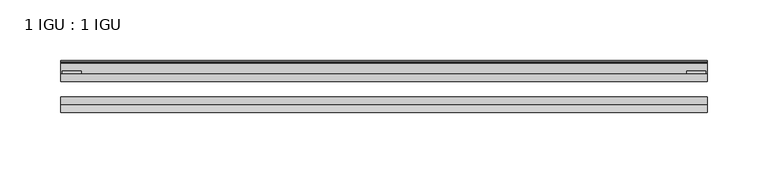
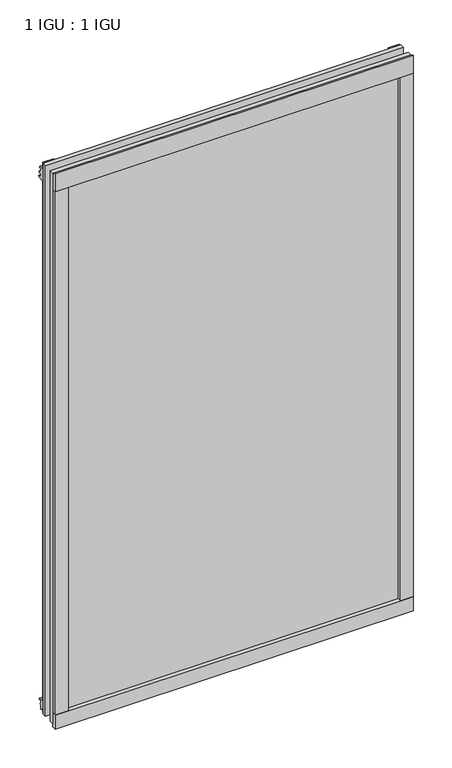
"""IFC4 building model written with IfcOpenShell, lengths in millimetres: plate geometry, 1 IGU : 1 IGU."""

from ifc_helpers import new_model, si_unit, point, frame, frame_2d, origin, place, context, project, spatial, polyline, circle_curve, trimmed, segment, composite_curve, outline, extrude, source, transform, mapped, element, save


def plate_1_igu_1_igu_31ee8d7c(model_context):
    return source(origin(), model_context, "Body", "SweptSolid", [
        extrude(outline(polyline([(266.773508, 0.0021347), (266.773508, -6.2992), (-266.773508, -6.2992), (-266.773508, 0.0021347), (266.773508, 0.0021347)])), frame((0.0, 0.0, -17.4498), z_axis=(0.0, 0.0, 1.0), x_axis=(1.0, 0.0, 0.0)), (0.0, 0.0, 1.0), 868.3366072),
        extrude(outline(polyline([(-266.773508, -19.0986653), (266.773508, -19.0986653), (266.773508, -25.3978653), (-266.773508, -25.3978653), (-266.773508, -19.0986653)])), frame((0.0, 0.0, -17.4498), z_axis=(0.0, 0.0, 1.0), x_axis=(1.0, 0.0, 0.0)), (0.0, 0.0, 1.0), 868.3366072),
        extrude(outline(composite_curve([segment(polyline([(-31.75, 0.0), (-25.4, 0.0), (-25.4, -22.225)]), True, "CONTINUOUS"), segment(trimmed(circle_curve(frame_2d((-28.575, -28.9113452)), 7.4018806), [point((-25.4, -22.225))], [point((-31.75, -22.225))], True, "CARTESIAN"), True, "CONTINUOUS"), segment(polyline([(-31.75, -22.225), (-31.75, 0.0)]), True, "CONTINUOUS")], self_intersect=False)), frame((-266.773508, 0.0, 0.0), z_axis=(1.0, 0.0, 0.0), x_axis=(0.0, 1.0, 0.0)), (0.0, 0.0, 1.0), 533.547016),
        extrude(outline(composite_curve([segment(trimmed(circle_curve(frame_2d((13.6593785, 32.4202472)), 31.3046461), [point((0.0, 4.2528503))], [point((9.3980339, 1.406995))], True, "CARTESIAN"), True, "CONTINUOUS"), segment(polyline([(9.3980339, 1.406995), (9.3980339, 0.0254), (6.35, 0.0254), (6.35, -5.1625788), (7.7309478, -5.3970663), (6.35, -8.0073788), (6.35, -11.8471127)]), True, "CONTINUOUS"), segment(trimmed(circle_curve(frame_2d((5.334, -11.8471127)), 1.016), [point((6.35, -11.8471127))], [point((4.6284878, -12.5782136))], False, "CARTESIAN"), True, "CONTINUOUS"), segment(trimmed(circle_curve(frame_2d((-23.3689302, -41.5910901)), 40.3187601), [point((4.6284878, -12.5782136))], [point((0.0, -8.735413))], True, "CARTESIAN"), True, "CONTINUOUS"), segment(polyline([(0.0, -8.735413), (0.0, 4.2528503)]), True, "CONTINUOUS")], self_intersect=False)), frame((-266.773508, 0.0, 0.0), z_axis=(1.0, 0.0, 0.0), x_axis=(0.0, 1.0, 0.0)), (0.0, 0.0, 1.0), 533.547016),
        extrude(outline(composite_curve([segment(polyline([(8.509, 840.7300284), (8.509, 838.6980284), (6.35, 838.6980284), (6.35, 833.3640284), (8.9492698, 833.3640284)]), True, "CONTINUOUS"), segment(trimmed(circle_curve(frame_2d((8.208689, 831.8368072)), 1.697311), [point((8.9492698, 833.3640284))], [point((8.962411, 830.3160284))], False, "CARTESIAN"), True, "CONTINUOUS"), segment(polyline([(8.962411, 830.3160284), (6.35, 830.3160284), (6.35, 825.4868072), (11.1252, 825.4868072), (11.1252, 824.5978072)]), True, "CONTINUOUS"), segment(trimmed(circle_curve(frame_2d((10.1092, 824.5978072)), 1.016), [point((11.1252, 824.5978072))], [point((10.1092, 823.5818072))], False, "CARTESIAN"), True, "CONTINUOUS"), segment(trimmed(circle_curve(frame_2d((10.1092, 804.1707318)), 19.4110754), [point((10.1092, 823.5818072))], [point((0.0, 820.7416075))], True, "CARTESIAN"), True, "CONTINUOUS"), segment(polyline([(0.0, 820.7416075), (0.0, 840.7300284), (8.509, 840.7300284)]), True, "CONTINUOUS")], self_intersect=False)), frame((-266.773508, 0.0, 0.0), z_axis=(1.0, 0.0, 0.0), x_axis=(0.0, 1.0, 0.0)), (0.0, 0.0, 1.0), 533.547016),
        extrude(outline(composite_curve([segment(polyline([(-25.4, 850.8868072), (-25.4, 825.4868072), (-31.75, 825.4868072), (-31.75, 853.6597045)]), True, "CONTINUOUS"), segment(trimmed(circle_curve(frame_2d((-24.1401272, 862.4292187)), 11.6109665), [point((-31.75, 853.6597045))], [point((-25.4, 850.8868072))], True, "CARTESIAN"), True, "CONTINUOUS")], self_intersect=False)), frame((-266.773508, 0.0, 0.0), z_axis=(1.0, 0.0, 0.0), x_axis=(0.0, 1.0, 0.0)), (0.0, 0.0, 1.0), 533.547016),
        extrude(outline(composite_curve([segment(polyline([(247.723508, -25.4), (266.773508, -25.4)]), True, "CONTINUOUS"), segment(trimmed(circle_curve(frame_2d((276.2396587, -28.575)), 9.9844196), [point((266.773508, -25.4))], [point((266.773508, -31.75))], True, "CARTESIAN"), True, "CONTINUOUS"), segment(polyline([(266.773508, -31.75), (247.723508, -31.75), (247.723508, -25.4)]), True, "CONTINUOUS")], self_intersect=False)), frame((0.0, 0.0, -17.4498), z_axis=(0.0, 0.0, 1.0), x_axis=(1.0, 0.0, 0.0)), (0.0, 0.0, 1.0), 868.3366072),
        extrude(outline(polyline([(265.567008, 2.2860088), (265.567008, 0.0021347), (249.692008, 0.0021347), (249.692008, 2.2860088), (265.567008, 2.2860088)])), frame((0.0, 0.0, -17.4498), z_axis=(0.0, 0.0, 1.0), x_axis=(1.0, 0.0, 0.0)), (0.0, 0.0, 1.0), 868.3366072),
        extrude(outline(composite_curve([segment(trimmed(circle_curve(frame_2d((-276.2396587, -28.575)), 9.9844196), [point((-266.773508, -31.75))], [point((-266.773508, -25.4))], True, "CARTESIAN"), True, "CONTINUOUS"), segment(polyline([(-266.773508, -25.4), (-247.723508, -25.4), (-247.723508, -31.75), (-266.773508, -31.75)]), True, "CONTINUOUS")], self_intersect=False)), frame((0.0, 0.0, -17.4498), z_axis=(0.0, 0.0, 1.0), x_axis=(1.0, 0.0, 0.0)), (0.0, 0.0, 1.0), 868.3366072),
        extrude(outline(polyline([(-265.567008, 0.0), (-265.567008, 2.286), (-249.692008, 2.286), (-249.692008, 0.0), (-265.567008, 0.0)])), frame((0.0, 0.0, -17.4498), z_axis=(0.0, 0.0, 1.0), x_axis=(1.0, 0.0, 0.0)), (0.0, 0.0, 1.0), 868.3366072),
    ])


if __name__ == "__main__":
    model = new_model("IFC4")
    model_context = context("Model", 3, world=origin())
    ifc_project = project(units=[si_unit("LENGTHUNIT", "METRE", prefix="MILLI")], contexts=[model_context])
    site = spatial("IfcSite", under=ifc_project)
    building = spatial("IfcBuilding", under=site)
    placement = place(None, origin())
    plate_1_igu_1_igu_shape = plate_1_igu_1_igu_31ee8d7c(model_context)
    element("IfcPlate", 1, ObjectType="1 IGU : 1 IGU", at=placement, inside=building, context=model_context, shape_type="MappedRepresentation", body=[
        mapped(plate_1_igu_1_igu_shape, transform((0.0, 0.0, 0.0), x_axis=(1.0, 0.0, 0.0), y_axis=(0.0, 1.0, 0.0), z_axis=(0.0, 0.0, 1.0))),
    ])
    save(model, "model.ifc")
